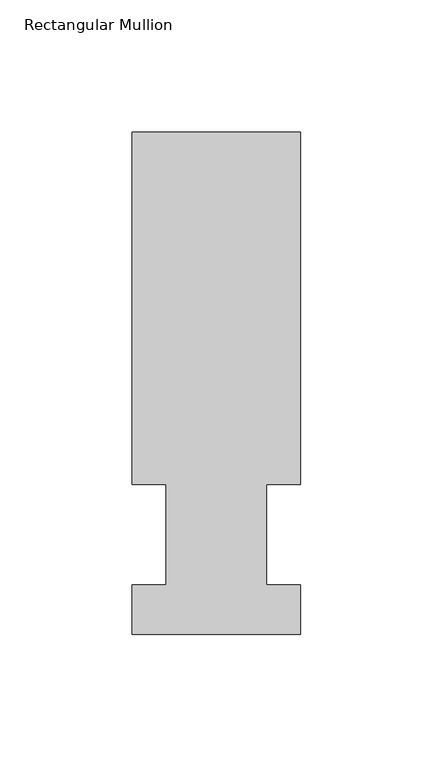
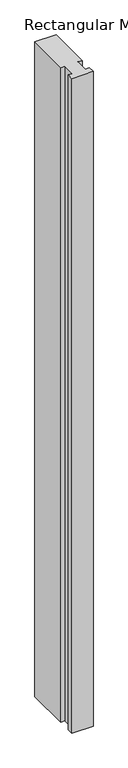
"""IFC4 building model written with IfcOpenShell, lengths in millimetres: member geometry, Rectangular Mullion."""

from ifc_helpers import new_model, si_unit, frame, origin, place, context, project, spatial, polyline, outline, extrude, source, transform, mapped, element, save


def rectangular_mullion_a40e2c14(model_context):
    return source(origin(), model_context, "Body", "SweptSolid", [
        extrude(outline(polyline([(-31.75, 189.5975063), (31.75, 189.5975063), (31.75, 56.6539063), (19.05, 56.6539063), (19.05, 18.5539063), (31.75, 18.5539063), (31.75, 0.0119062), (-31.75, 0.0119062), (-31.75, 18.5539063), (-19.05, 18.5539063), (-19.05, 56.6539063), (-31.75, 56.6539063), (-31.75, 189.5975063)])), frame((0.0, 0.0, -2057.4), z_axis=(0.0, 0.0, 1.0), x_axis=(1.0, 0.0, 0.0)), (0.0, 0.0, 1.0), 2057.4),
    ])


if __name__ == "__main__":
    model = new_model("IFC4")
    model_context = context("Model", 3, world=origin())
    ifc_project = project(units=[si_unit("LENGTHUNIT", "METRE", prefix="MILLI")], contexts=[model_context])
    site = spatial("IfcSite", under=ifc_project)
    building = spatial("IfcBuilding", under=site)
    placement = place(None, origin())
    rectangular_mullion_shape = rectangular_mullion_a40e2c14(model_context)
    element("IfcMember", 1, ObjectType="Rectangular Mullion", at=placement, inside=building, context=model_context, shape_type="MappedRepresentation", body=[
        mapped(rectangular_mullion_shape, transform((0.0, 0.0, 0.0), x_axis=(1.0, 0.0, 0.0), y_axis=(0.0, 1.0, 0.0), z_axis=(0.0, 0.0, 1.0))),
    ])
    save(model, "model.ifc")
